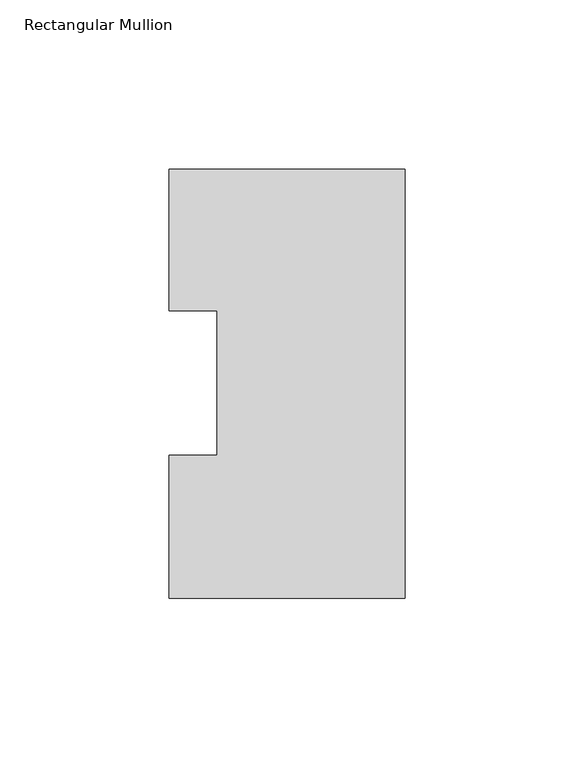
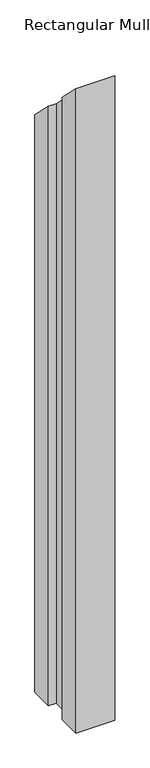
"""IFC4 building model written with IfcOpenShell, lengths in millimetres: member geometry, Rectangular Mullion."""

from ifc_helpers import new_model, si_unit, origin, place, context, project, spatial, faceted_brep, source, transform, mapped, element, save


def rectangular_mullion_511db36f(model_context):
    return source(origin(), model_context, "Body", "Brep", [
        faceted_brep([(-69.8489149, 126.9888875, -1219.1976187), (0.0, 126.9888875, -1219.1976187), (0.0, -0.0111125, -1219.1976187), (-69.8489149, -0.0111125, -1219.1976187), (-69.8489149, 42.2798875, -1219.1976187), (-55.5639549, 42.2798875, -1219.1976187), (-55.5639549, 85.1296875, -1219.1976187), (-69.8489149, 85.1296875, -1219.1976187), (-69.8489149, 85.1296875, -85.1296875), (-69.8489149, 126.9888875, -126.9888875), (-55.5639549, 85.1296875, -85.1296875), (-55.5639549, 42.2798875, -42.2798875), (-69.8489149, 42.2798875, -42.2798875), (-69.8489149, -0.0111125, 0.0111125), (0.0, -0.0111125, 0.0111125), (0.0, 126.9888875, -126.9888875)], [[[0, 1, 2, 3, 4, 5, 6, 7]], [[8, 9, 0, 7]], [[10, 8, 7, 6]], [[11, 10, 6, 5]], [[12, 11, 5, 4]], [[13, 12, 4, 3]], [[14, 13, 3, 2]], [[15, 14, 2, 1]], [[9, 15, 1, 0]], [[9, 8, 10, 11, 12, 13, 14, 15]]]),
    ])


if __name__ == "__main__":
    model = new_model("IFC4")
    model_context = context("Model", 3, world=origin())
    ifc_project = project(units=[si_unit("LENGTHUNIT", "METRE", prefix="MILLI")], contexts=[model_context])
    site = spatial("IfcSite", under=ifc_project)
    building = spatial("IfcBuilding", under=site)
    placement = place(None, origin())
    rectangular_mullion_shape = rectangular_mullion_511db36f(model_context)
    element("IfcMember", 1, ObjectType="Rectangular Mullion", at=placement, inside=building, context=model_context, shape_type="MappedRepresentation", body=[
        mapped(rectangular_mullion_shape, transform((0.0, 0.0, 0.0), x_axis=(1.0, 0.0, 0.0), y_axis=(0.0, 1.0, 0.0), z_axis=(0.0, 0.0, 1.0))),
    ])
    save(model, "model.ifc")
